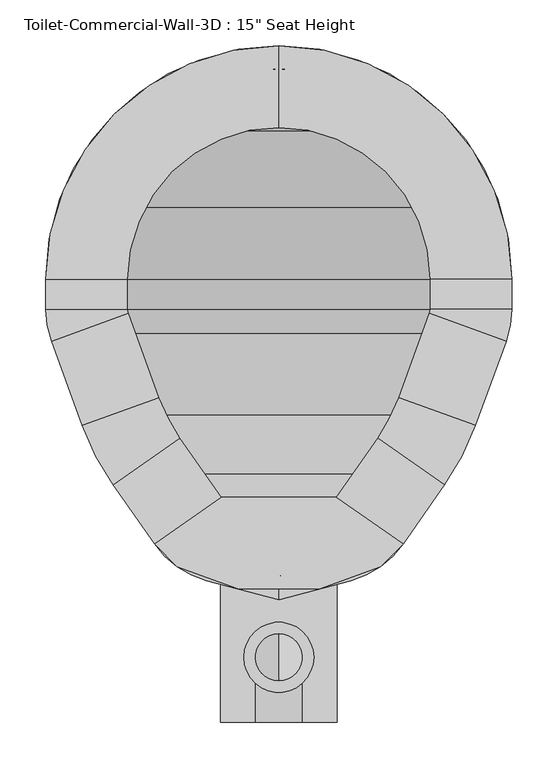
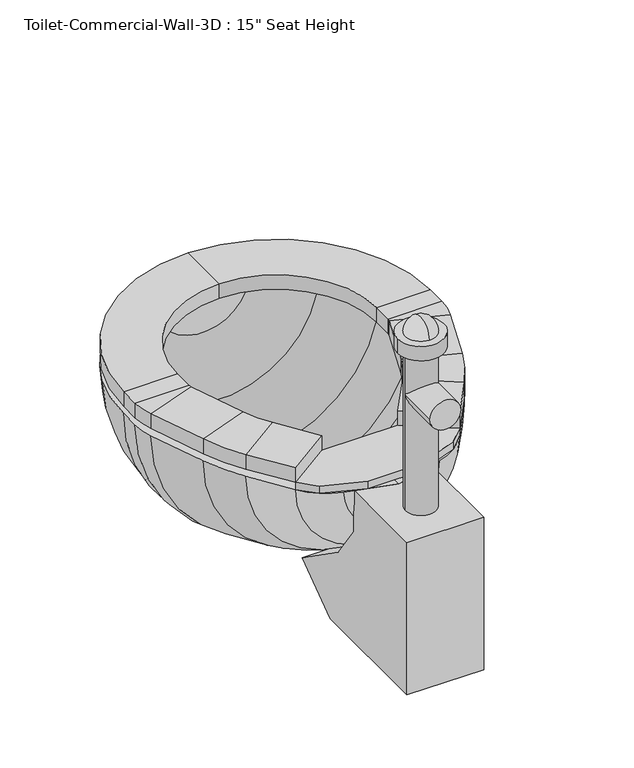
"""IFC4 building model written with IfcOpenShell, lengths in millimetres: flow terminal geometry."""

from ifc_helpers import new_model, si_unit, point, frame, frame_2d, origin, place, context, project, spatial, polyline, circle_curve, ellipse_curve, trimmed, segment, composite_curve, outline, extrude, source, transform, mapped, element, save
from ifc_brep_helpers import plane_surface, cylinder_surface, revolved_surface, advanced_brep


def flow_terminal_184afdea(model_context):
    return source(origin(), model_context, "Body", "SolidModel", [
        extrude(outline(polyline([(467.7541169, 308.5347495), (540.5767337, 257.5438043), (515.6262519, 232.5933226), (449.563909, 208.5485961), (360.2423986, 208.5485961), (294.1800557, 232.5933226), (269.229574, 257.5438043), (342.0521907, 308.5347495), (467.7541169, 308.5347495)])), frame((0.0, 0.0, 342.9), z_axis=(0.0, 0.0, 1.0), x_axis=(1.0, 0.0, 0.0)), (0.0, 0.0, 1.0), 12.7),
        advanced_brep(
        [(467.7541169, 308.5347495, 355.6), (540.5767337, 257.5438043, 355.6), (540.5767337, 257.5438043, 381.0), (467.7541169, 308.5347495, 381.0), (512.8583992, 372.9503403, 355.6), (585.6810159, 321.9593951, 355.6), (585.6810159, 321.9593951, 381.0), (512.8583992, 372.9503403, 381.0), (619.360053, 386.6562234, 355.6), (535.821379, 417.0618141, 355.6), (619.360053, 386.6562234, 381.0), (535.821379, 417.0618141, 381.0), (569.2372501, 508.8711654, 355.6), (652.7759241, 478.4655747, 355.6), (652.7759241, 478.4655747, 381.0), (569.2372501, 508.8711654, 381.0), (658.9031538, 513.2148212, 355.6), (570.0031538, 513.2148212, 355.6), (658.9031538, 513.2148212, 381.0), (570.0031538, 513.2148212, 381.0), (570.0031538, 546.1, 355.6), (658.9031538, 546.1, 355.6), (658.9031538, 546.1, 381.0), (570.0031538, 546.1, 381.0), (404.9031538, 800.1, 355.6), (404.9031538, 711.2, 355.6), (404.9031538, 800.1, 381.0), (404.9031538, 711.2, 381.0), (150.9031538, 546.1, 355.6), (239.8031538, 546.1, 355.6), (150.9031538, 546.1, 381.0), (239.8031538, 546.1, 381.0), (239.8031538, 513.2148212, 355.6), (150.9031538, 513.2148212, 355.6), (150.9031538, 513.2148212, 381.0), (239.8031538, 513.2148212, 381.0), (157.0303835, 478.4655747, 355.6), (240.5690575, 508.8711654, 355.6), (157.0303835, 478.4655747, 381.0), (240.5690575, 508.8711654, 381.0), (273.9849286, 417.0618141, 355.6), (190.4462546, 386.6562234, 355.6), (190.4462546, 386.6562234, 381.0), (273.9849286, 417.0618141, 381.0), (224.1252917, 321.9593951, 355.6), (296.9479084, 372.9503403, 355.6), (224.1252917, 321.9593951, 381.0), (296.9479084, 372.9503403, 381.0), (342.0521907, 308.5347495, 355.6), (342.0521907, 308.5347495, 381.0), (269.229574, 257.5438043, 381.0), (269.229574, 257.5438043, 355.6)],
        [
            (0, 1),
            (1, 2),
            (2, 3),
            (3, 0),
            (0, 4),
            (4, 5),
            (5, 1),
            (5, 6),
            (6, 2),
            (6, 7),
            (7, 3),
            (7, 4),
            (8, 5, circle_curve(frame((356.8099347, 482.2166514, 355.6), z_axis=(0.0, 0.0, -1.0), x_axis=(0.81915204428899, -0.5735764363510486, 0.0)), 279.4)),
            (4, 9, circle_curve(frame((356.8099347, 482.2166514, 355.6), z_axis=(0.0, 0.0, 1.0), x_axis=(0.81915204428899, -0.5735764363510486, 0.0)), 190.5)),
            (9, 8),
            (10, 6, circle_curve(frame((356.8099347, 482.2166514, 381.0), z_axis=(0.0, 0.0, -1.0), x_axis=(0.81915204428899, -0.5735764363510486, 0.0)), 279.4)),
            (8, 10),
            (11, 7, circle_curve(frame((356.8099347, 482.2166514, 381.0), z_axis=(0.0, 0.0, -1.0), x_axis=(0.81915204428899, -0.5735764363510486, 0.0)), 190.5)),
            (10, 11),
            (11, 9),
            (9, 12),
            (12, 13),
            (13, 8),
            (13, 14),
            (14, 10),
            (14, 15),
            (15, 11),
            (15, 12),
            (16, 13, circle_curve(frame((557.3031538, 513.2148212, 355.6), z_axis=(0.0, 0.0, -1.0), x_axis=(0.9396926207859057, -0.3420201433256761, 0.0)), 101.6)),
            (12, 17, circle_curve(frame((557.3031538, 513.2148212, 355.6), z_axis=(0.0, 0.0, 1.0), x_axis=(0.9396926207859057, -0.3420201433256761, 0.0)), 12.7)),
            (17, 16),
            (18, 14, circle_curve(frame((557.3031538, 513.2148212, 381.0), z_axis=(0.0, 0.0, -1.0), x_axis=(0.9396926207859057, -0.3420201433256761, 0.0)), 101.6)),
            (16, 18),
            (19, 15, circle_curve(frame((557.3031538, 513.2148212, 381.0), z_axis=(0.0, 0.0, -1.0), x_axis=(0.9396926207859057, -0.3420201433256761, 0.0)), 12.7)),
            (18, 19),
            (19, 17),
            (17, 20),
            (20, 21),
            (21, 16),
            (21, 22),
            (22, 18),
            (22, 23),
            (23, 19),
            (23, 20),
            (24, 21, circle_curve(frame((404.9031538, 546.1, 355.6), z_axis=(0.0, 0.0, -1.0), x_axis=(1.0, 0.0, 0.0)), 254.0)),
            (20, 25, circle_curve(frame((404.9031538, 546.1, 355.6), z_axis=(0.0, 0.0, 1.0), x_axis=(1.0, 0.0, 0.0)), 165.1)),
            (25, 24),
            (26, 22, circle_curve(frame((404.9031538, 546.1, 381.0), z_axis=(0.0, 0.0, -1.0), x_axis=(1.0, 0.0, 0.0)), 254.0)),
            (24, 26),
            (27, 23, circle_curve(frame((404.9031538, 546.1, 381.0), z_axis=(0.0, 0.0, -1.0), x_axis=(1.0, 0.0, 0.0)), 165.1)),
            (26, 27),
            (27, 25),
            (28, 24, circle_curve(frame((404.9031538, 546.1, 355.6), z_axis=(0.0, 0.0, -1.0), x_axis=(0.0, 1.0, 0.0)), 254.0)),
            (25, 29, circle_curve(frame((404.9031538, 546.1, 355.6), z_axis=(0.0, 0.0, 1.0), x_axis=(0.0, 1.0, 0.0)), 165.1)),
            (29, 28),
            (30, 26, circle_curve(frame((404.9031538, 546.1, 381.0), z_axis=(0.0, 0.0, -1.0), x_axis=(0.0, 1.0, 0.0)), 254.0)),
            (28, 30),
            (31, 27, circle_curve(frame((404.9031538, 546.1, 381.0), z_axis=(0.0, 0.0, -1.0), x_axis=(0.0, 1.0, 0.0)), 165.1)),
            (30, 31),
            (31, 29),
            (29, 32),
            (32, 33),
            (33, 28),
            (33, 34),
            (34, 30),
            (34, 35),
            (35, 31),
            (35, 32),
            (36, 33, circle_curve(frame((252.5031538, 513.2148212, 355.6), z_axis=(0.0, 0.0, -1.0), x_axis=(-1.0, 0.0, 0.0)), 101.6)),
            (32, 37, circle_curve(frame((252.5031538, 513.2148212, 355.6), z_axis=(0.0, 0.0, 1.0), x_axis=(-1.0, 0.0, 0.0)), 12.7)),
            (37, 36),
            (38, 34, circle_curve(frame((252.5031538, 513.2148212, 381.0), z_axis=(0.0, 0.0, -1.0), x_axis=(-1.0, 0.0, 0.0)), 101.6)),
            (36, 38),
            (39, 35, circle_curve(frame((252.5031538, 513.2148212, 381.0), z_axis=(0.0, 0.0, -1.0), x_axis=(-1.0, 0.0, 0.0)), 12.7)),
            (38, 39),
            (39, 37),
            (37, 40),
            (40, 41),
            (41, 36),
            (41, 42),
            (42, 38),
            (42, 43),
            (43, 39),
            (43, 40),
            (44, 41, circle_curve(frame((452.9963729, 482.2166514, 355.6), z_axis=(0.0, 0.0, -1.0), x_axis=(-0.939692620785909, -0.3420201433256672, 0.0)), 279.4)),
            (40, 45, circle_curve(frame((452.9963729, 482.2166514, 355.6), z_axis=(0.0, 0.0, 1.0), x_axis=(-0.939692620785909, -0.3420201433256672, 0.0)), 190.5)),
            (45, 44),
            (46, 42, circle_curve(frame((452.9963729, 482.2166514, 381.0), z_axis=(0.0, 0.0, -1.0), x_axis=(-0.939692620785909, -0.3420201433256672, 0.0)), 279.4)),
            (44, 46),
            (47, 43, circle_curve(frame((452.9963729, 482.2166514, 381.0), z_axis=(0.0, 0.0, -1.0), x_axis=(-0.939692620785909, -0.3420201433256672, 0.0)), 190.5)),
            (46, 47),
            (47, 45),
            (48, 49),
            (49, 50),
            (50, 51),
            (51, 48),
            (45, 48),
            (51, 44),
            (50, 46),
            (49, 47),
        ],
        [
            plane_surface(frame((540.5767337, 257.5438043, 439.6203184), z_axis=(-0.5735764363510379, -0.8191520442889975, 0.0), x_axis=(0.8191520442889975, -0.5735764363510379, 0.0))),
            plane_surface(frame((467.7541169, 308.5347495, 355.6), z_axis=(0.0, 0.0, -1.0), x_axis=(0.5735764363510377, 0.8191520442889977, 0.0))),
            plane_surface(frame((540.5767337, 257.5438043, 355.6), z_axis=(0.8191520442889975, -0.5735764363510382, 0.0), x_axis=(0.5735764363510382, 0.8191520442889975, 0.0))),
            plane_surface(frame((540.5767337, 257.5438043, 381.0), z_axis=(0.0, 0.0, 1.0000000000000002), x_axis=(0.5735764363510379, 0.8191520442889976, 0.0))),
            plane_surface(frame((467.7541169, 308.5347495, 381.0), z_axis=(-0.819152044288998, 0.5735764363510373, 0.0), x_axis=(0.5735764363510373, 0.819152044288998, 0.0))),
            plane_surface(frame((356.8099347, 482.2166514, 355.6), z_axis=(0.0, 0.0, -1.0), x_axis=(0.81915204428899, -0.5735764363510486, 0.0))),
            cylinder_surface(frame((356.8099347, 482.2166514, 342.9), z_axis=(0.0, 0.0, 1.0), x_axis=(0.81915204428899, -0.5735764363510486, 0.0)), 279.4),
            plane_surface(frame((356.8099347, 482.2166514, 381.0), z_axis=(0.0, 0.0, 1.0), x_axis=(0.81915204428899, -0.5735764363510486, 0.0))),
            revolved_surface(polyline([(512.8583991370526, 372.9503402751252, 381.0), (512.8583991370526, 372.9503402751252, 355.6)]), (356.8099347, 482.2166514, 342.9), (0.0, 0.0, 1.0)),
            plane_surface(frame((535.821379, 417.0618141, 355.6), z_axis=(0.0, 0.0, -1.0), x_axis=(0.34202014332566444, 0.93969262078591, 0.0))),
            plane_surface(frame((619.360053, 386.6562234, 355.6), z_axis=(0.93969262078591, -0.3420201433256645, 0.0), x_axis=(0.3420201433256645, 0.93969262078591, 0.0))),
            plane_surface(frame((619.360053, 386.6562234, 381.0), z_axis=(0.0, 0.0, 1.0000000000000002), x_axis=(0.3420201433256645, 0.93969262078591, 0.0))),
            plane_surface(frame((535.821379, 417.0618141, 381.0), z_axis=(-0.9396926207859102, 0.3420201433256638, 0.0), x_axis=(0.3420201433256638, 0.9396926207859102, 0.0))),
            plane_surface(frame((557.3031538, 513.2148212, 355.6), z_axis=(0.0, 0.0, -1.0000000000000002), x_axis=(0.9396926207859058, -0.34202014332567615, 0.0))),
            cylinder_surface(frame((557.3031538, 513.2148212, 342.9), z_axis=(0.0, 0.0, 1.0), x_axis=(0.9396926207859057, -0.3420201433256761, 0.0)), 101.6),
            plane_surface(frame((557.3031538, 513.2148212, 381.0), z_axis=(0.0, 0.0, 1.0000000000000002), x_axis=(0.9396926207859058, -0.34202014332567615, 0.0))),
            revolved_surface(polyline([(569.237250083981, 508.87116537976385, 381.0), (569.237250083981, 508.87116537976385, 355.6)]), (557.3031538, 513.2148212, 342.9), (0.0, 0.0, 1.0)),
            plane_surface(frame((570.0031538, 513.2148212, 355.6), z_axis=(0.0, 0.0, -1.0), x_axis=(0.0, 1.0, 0.0))),
            plane_surface(frame((658.9031538, 513.2148212, 355.6), z_axis=(1.0, 0.0, 0.0), x_axis=(0.0, 1.0, 0.0))),
            plane_surface(frame((658.9031538, 513.2148212, 381.0), z_axis=(0.0, 0.0, 1.0), x_axis=(0.0, 1.0, 0.0))),
            plane_surface(frame((570.0031538, 513.2148212, 381.0), z_axis=(-1.0, 0.0, 0.0), x_axis=(0.0, 1.0, 0.0))),
            plane_surface(frame((404.9031538, 546.1, 355.6), z_axis=(0.0, 0.0, -1.0), x_axis=(1.0, 0.0, 0.0))),
            cylinder_surface(frame((404.9031538, 546.1, 342.9), z_axis=(0.0, 0.0, 1.0), x_axis=(1.0, 0.0, 0.0)), 254.0),
            plane_surface(frame((404.9031538, 546.1, 381.0), z_axis=(0.0, 0.0, 1.0), x_axis=(1.0, 0.0, 0.0))),
            revolved_surface(polyline([(570.0031538, 546.1, 381.0), (570.0031538, 546.1, 355.6)]), (404.9031538, 546.1, 342.9), (0.0, 0.0, 1.0)),
            plane_surface(frame((404.9031538, 546.1, 355.6), z_axis=(0.0, 0.0, -1.0), x_axis=(0.0, 1.0, 0.0))),
            cylinder_surface(frame((404.9031538, 546.1, 342.9), z_axis=(0.0, 0.0, 1.0), x_axis=(0.0, 1.0, 0.0)), 254.0),
            plane_surface(frame((404.9031538, 546.1, 381.0), z_axis=(0.0, 0.0, 1.0), x_axis=(0.0, 1.0, 0.0))),
            revolved_surface(polyline([(404.9031538, 711.2, 381.0), (404.9031538, 711.2, 355.6)]), (404.9031538, 546.1, 342.9), (0.0, 0.0, 1.0)),
            plane_surface(frame((239.8031538, 546.1, 355.6), z_axis=(0.0, 0.0, -1.0), x_axis=(0.0, -1.0, 0.0))),
            plane_surface(frame((150.9031538, 546.1, 355.6), z_axis=(-1.0, 0.0, 0.0), x_axis=(0.0, -1.0, 0.0))),
            plane_surface(frame((150.9031538, 546.1, 381.0), z_axis=(0.0, 0.0, 1.0), x_axis=(0.0, -1.0, 0.0))),
            plane_surface(frame((239.8031538, 546.1, 381.0), z_axis=(1.0, 0.0, 0.0), x_axis=(0.0, -1.0, 0.0))),
            plane_surface(frame((252.5031538, 513.2148212, 355.6), z_axis=(0.0, 0.0, -1.0), x_axis=(-1.0, 0.0, 0.0))),
            cylinder_surface(frame((252.5031538, 513.2148212, 342.9), z_axis=(0.0, 0.0, 1.0), x_axis=(-1.0, 0.0, 0.0)), 101.6),
            plane_surface(frame((252.5031538, 513.2148212, 381.0), z_axis=(0.0, 0.0, 1.0), x_axis=(-1.0, 0.0, 0.0))),
            revolved_surface(polyline([(239.80315380000002, 513.2148212, 381.0), (239.80315380000002, 513.2148212, 355.6)]), (252.5031538, 513.2148212, 342.9), (0.0, 0.0, 1.0)),
            plane_surface(frame((240.5690575, 508.8711654, 355.6), z_axis=(0.0, 0.0, -1.0000000000000002), x_axis=(0.3420201433256558, -0.9396926207859132, 0.0))),
            plane_surface(frame((157.0303835, 478.4655747, 355.6), z_axis=(-0.9396926207859133, -0.34202014332565545, 0.0), x_axis=(0.34202014332565545, -0.9396926207859133, 0.0))),
            plane_surface(frame((157.0303835, 478.4655747, 381.0), z_axis=(0.0, 0.0, 1.0000000000000002), x_axis=(0.34202014332565545, -0.9396926207859133, 0.0))),
            plane_surface(frame((240.5690575, 508.8711654, 381.0), z_axis=(0.9396926207859132, 0.3420201433256558, 0.0), x_axis=(0.3420201433256558, -0.9396926207859132, 0.0))),
            plane_surface(frame((452.9963729, 482.2166514, 355.6), z_axis=(0.0, 0.0, -1.0), x_axis=(-0.939692620785909, -0.3420201433256672, 0.0))),
            cylinder_surface(frame((452.9963729, 482.2166514, 342.9), z_axis=(0.0, 0.0, 1.0), x_axis=(-0.939692620785909, -0.3420201433256672, 0.0)), 279.4),
            plane_surface(frame((452.9963729, 482.2166514, 381.0), z_axis=(0.0, 0.0, 1.0), x_axis=(-0.939692620785909, -0.3420201433256672, 0.0))),
            revolved_surface(polyline([(273.98492864028435, 417.06181409646035, 381.0), (273.98492864028435, 417.06181409646035, 355.6)]), (452.9963729, 482.2166514, 342.9), (0.0, 0.0, 1.0)),
            plane_surface(frame((269.229574, 257.5438043, 246.1796816), z_axis=(0.5735764363510502, -0.8191520442889889, 0.0), x_axis=(0.8191520442889889, 0.5735764363510502, 0.0))),
            plane_surface(frame((296.9479084, 372.9503403, 355.6), z_axis=(0.0, 0.0, -1.0), x_axis=(0.5735764363510504, -0.8191520442889889, 0.0))),
            plane_surface(frame((224.1252917, 321.9593951, 355.6), z_axis=(-0.819152044288989, -0.57357643635105, 0.0), x_axis=(0.57357643635105, -0.819152044288989, 0.0))),
            plane_surface(frame((224.1252917, 321.9593951, 381.0), z_axis=(0.0, 0.0, 1.0), x_axis=(0.5735764363510503, -0.8191520442889889, 0.0))),
            plane_surface(frame((296.9479084, 372.9503403, 381.0), z_axis=(0.8191520442889889, 0.5735764363510504, 0.0), x_axis=(0.5735764363510504, -0.8191520442889889, 0.0))),
        ],
        [
            (0, [[1, 2, 3, 4]]),
            (1, [[-1, 5, 6, 7]]),
            (2, [[-2, -7, 8, 9]]),
            (3, [[-3, -9, 10, 11]]),
            (4, [[-4, -11, 12, -5]]),
            (5, [[13, -6, 14, 15]]),
            (6, [[16, -8, -13, 17]]),
            (7, [[18, -10, -16, 19]]),
            (8, [[-14, -12, -18, 20]]),
            (9, [[-15, 21, 22, 23]]),
            (10, [[-17, -23, 24, 25]]),
            (11, [[-19, -25, 26, 27]]),
            (12, [[-20, -27, 28, -21]]),
            (13, [[29, -22, 30, 31]]),
            (14, [[32, -24, -29, 33]]),
            (15, [[34, -26, -32, 35]]),
            (16, [[-30, -28, -34, 36]]),
            (17, [[-31, 37, 38, 39]]),
            (18, [[-33, -39, 40, 41]]),
            (19, [[-35, -41, 42, 43]]),
            (20, [[-36, -43, 44, -37]]),
            (21, [[45, -38, 46, 47]]),
            (22, [[48, -40, -45, 49]]),
            (23, [[50, -42, -48, 51]]),
            (24, [[-46, -44, -50, 52]]),
            (25, [[53, -47, 54, 55]]),
            (26, [[56, -49, -53, 57]]),
            (27, [[58, -51, -56, 59]]),
            (28, [[-54, -52, -58, 60]]),
            (29, [[-55, 61, 62, 63]]),
            (30, [[-57, -63, 64, 65]]),
            (31, [[-59, -65, 66, 67]]),
            (32, [[-60, -67, 68, -61]]),
            (33, [[69, -62, 70, 71]]),
            (34, [[72, -64, -69, 73]]),
            (35, [[74, -66, -72, 75]]),
            (36, [[-70, -68, -74, 76]]),
            (37, [[-71, 77, 78, 79]]),
            (38, [[-73, -79, 80, 81]]),
            (39, [[-75, -81, 82, 83]]),
            (40, [[-76, -83, 84, -77]]),
            (41, [[85, -78, 86, 87]]),
            (42, [[88, -80, -85, 89]]),
            (43, [[90, -82, -88, 91]]),
            (44, [[-86, -84, -90, 92]]),
            (45, [[93, 94, 95, 96]]),
            (46, [[-87, 97, -96, 98]]),
            (47, [[-89, -98, -95, 99]]),
            (48, [[-91, -99, -94, 100]]),
            (49, [[-92, -100, -93, -97]]),
        ],
    ),
        advanced_brep(
        [(491.7762702, 784.7819257, 342.9), (404.9031538, 800.1, 342.9), (404.9031538, 774.7, 342.9), (483.0889586, 760.9137331, 342.9), (566.547764, 707.7446102, 342.9), (619.7168869, 624.2858048, 342.9), (633.5031538, 546.1, 342.9), (633.5031538, 513.2148212, 342.9), (628.9077315, 487.1528863, 342.9), (596.6355667, 398.4858422, 342.9), (562.9565296, 333.7890139, 342.9), (525.0728964, 279.6855786, 342.9), (468.1430637, 239.8228806, 342.9), (404.9031538, 222.8777978, 342.9), (404.9031538, 196.5817829, 342.9), (483.6469009, 217.6811063, 342.9), (540.5767337, 257.5438043, 342.9), (585.6810159, 321.9593951, 342.9), (619.360053, 386.6562234, 342.9), (652.7759241, 478.4655747, 342.9), (658.9031538, 513.2148212, 342.9), (658.9031538, 546.1, 342.9), (643.5850795, 632.9731164, 342.9), (584.5082762, 725.7051224, 342.9), (318.0300374, 784.7819257, 342.9), (225.2980314, 725.7051224, 342.9), (166.2212281, 632.9731164, 342.9), (150.9031538, 546.1, 342.9), (150.9031538, 513.2148212, 342.9), (157.0303835, 478.4655747, 342.9), (190.4462546, 386.6562234, 342.9), (224.1252917, 321.9593951, 342.9), (269.229574, 257.5438043, 342.9), (326.1594067, 217.6811063, 342.9), (341.663244, 239.8228806, 342.9), (284.7334112, 279.6855786, 342.9), (246.849778, 333.7890139, 342.9), (213.1707409, 398.4858422, 342.9), (180.8985761, 487.1528863, 342.9), (176.3031538, 513.2148212, 342.9), (176.3031538, 546.1, 342.9), (190.0894207, 624.2858048, 342.9), (243.2585436, 707.7446102, 342.9), (326.7173491, 760.9137331, 342.9)],
        [
            (0, 1, circle_curve(frame((404.9031538, 546.1, 342.9), z_axis=(0.0, 0.0, 1.0), x_axis=(1.0, 0.0, 0.0)), 254.0)),
            (1, 2),
            (2, 3, circle_curve(frame((404.9031538, 546.1, 342.9), z_axis=(0.0, 0.0, -1.0), x_axis=(1.0, 0.0, 0.0)), 228.6)),
            (3, 4, circle_curve(frame((404.9031538, 546.1, 342.9), z_axis=(0.0, 0.0, -1.0), x_axis=(1.0, 0.0, 0.0)), 228.6)),
            (4, 5, circle_curve(frame((404.9031538, 546.1, 342.9), z_axis=(0.0, 0.0, -1.0), x_axis=(1.0, 0.0, 0.0)), 228.6)),
            (5, 6, circle_curve(frame((404.9031538, 546.1, 342.9), z_axis=(0.0, 0.0, -1.0), x_axis=(1.0, 0.0, 0.0)), 228.6)),
            (6, 7),
            (7, 8, circle_curve(frame((557.3031538, 513.2148212, 342.9), z_axis=(0.0, 0.0, -1.0), x_axis=(1.0, 0.0, 0.0)), 76.2)),
            (8, 9),
            (9, 10, circle_curve(frame((334.0854485, 494.0462703, 342.9), z_axis=(0.0, 0.0, -1.0), x_axis=(1.0, 0.0, 0.0)), 279.4)),
            (10, 11),
            (11, 12, circle_curve(frame((441.8470487, 337.9609446, 342.9), z_axis=(0.0, 0.0, -1.0), x_axis=(1.0, 0.0, 0.0)), 101.6)),
            (12, 13),
            (13, 14),
            (14, 15),
            (15, 16, circle_curve(frame((457.350886, 315.8191703, 342.9), z_axis=(0.0, 0.0, 1.0), x_axis=(1.0, 0.0, 0.0)), 101.6)),
            (16, 17),
            (17, 18, circle_curve(frame((356.8099347, 482.2166514, 342.9), z_axis=(0.0, 0.0, 1.0), x_axis=(1.0, 0.0, 0.0)), 279.4)),
            (18, 19),
            (19, 20, circle_curve(frame((557.3031538, 513.2148212, 342.9), z_axis=(0.0, 0.0, 1.0), x_axis=(1.0, 0.0, 0.0)), 101.6)),
            (20, 21),
            (21, 22, circle_curve(frame((404.9031538, 546.1, 342.9), z_axis=(0.0, 0.0, 1.0), x_axis=(1.0, 0.0, 0.0)), 254.0)),
            (22, 23, circle_curve(frame((404.9031538, 546.1, 342.9), z_axis=(0.0, 0.0, 1.0), x_axis=(1.0, 0.0, 0.0)), 254.0)),
            (23, 0, circle_curve(frame((404.9031538, 546.1, 342.9), z_axis=(0.0, 0.0, 1.0), x_axis=(1.0, 0.0, 0.0)), 254.0)),
            (24, 25, circle_curve(frame((404.9031538, 546.1, 342.9), z_axis=(0.0, 0.0, 1.0), x_axis=(-1.0, 0.0, 0.0)), 254.0)),
            (25, 26, circle_curve(frame((404.9031538, 546.1, 342.9), z_axis=(0.0, 0.0, 1.0), x_axis=(-1.0, 0.0, 0.0)), 254.0)),
            (26, 27, circle_curve(frame((404.9031538, 546.1, 342.9), z_axis=(0.0, 0.0, 1.0), x_axis=(-1.0, 0.0, 0.0)), 254.0)),
            (27, 28),
            (28, 29, circle_curve(frame((252.5031538, 513.2148212, 342.9), z_axis=(0.0, 0.0, 1.0), x_axis=(-1.0, 0.0, 0.0)), 101.6)),
            (29, 30),
            (30, 31, circle_curve(frame((452.9963729, 482.2166514, 342.9), z_axis=(0.0, 0.0, 1.0), x_axis=(-1.0, 0.0, 0.0)), 279.4)),
            (31, 32),
            (32, 33, circle_curve(frame((352.4554217, 315.8191703, 342.9), z_axis=(0.0, 0.0, 1.0), x_axis=(-1.0, 0.0, 0.0)), 101.6)),
            (33, 14),
            (13, 34),
            (34, 35, circle_curve(frame((367.9592589, 337.9609446, 342.9), z_axis=(0.0, 0.0, -1.0), x_axis=(-1.0, 0.0, 0.0)), 101.6)),
            (35, 36),
            (36, 37, circle_curve(frame((475.7208592, 494.0462703, 342.9), z_axis=(0.0, 0.0, -1.0), x_axis=(-1.0, 0.0, 0.0)), 279.4)),
            (37, 38),
            (38, 39, circle_curve(frame((252.5031538, 513.2148212, 342.9), z_axis=(0.0, 0.0, -1.0), x_axis=(-1.0, 0.0, 0.0)), 76.2)),
            (39, 40),
            (40, 41, circle_curve(frame((404.9031538, 546.1, 342.9), z_axis=(0.0, 0.0, -1.0), x_axis=(-1.0, 0.0, 0.0)), 228.6)),
            (41, 42, circle_curve(frame((404.9031538, 546.1, 342.9), z_axis=(0.0, 0.0, -1.0), x_axis=(-1.0, 0.0, 0.0)), 228.6)),
            (42, 43, circle_curve(frame((404.9031538, 546.1, 342.9), z_axis=(0.0, 0.0, -1.0), x_axis=(-1.0, 0.0, 0.0)), 228.6)),
            (43, 2, circle_curve(frame((404.9031538, 546.1, 342.9), z_axis=(0.0, 0.0, -1.0), x_axis=(-1.0, 0.0, 0.0)), 228.6)),
            (1, 24, circle_curve(frame((404.9031538, 546.1, 342.9), z_axis=(0.0, 0.0, 1.0), x_axis=(-1.0, 0.0, 0.0)), 254.0)),
            (0, 24, circle_curve(frame((404.9031538, 784.7819257, 342.9), z_axis=(0.0, 1.0, 0.0), x_axis=(1.0, 0.0, 0.0)), 86.8731164)),
            (43, 3, circle_curve(frame((404.9031538, 760.9137331, 342.9), z_axis=(0.0, -1.0, 0.0), x_axis=(1.0, 0.0, 0.0)), 78.1858048)),
            (42, 4, circle_curve(frame((404.9031538, 707.7446102, 342.9), z_axis=(0.0, -1.0, 0.0), x_axis=(1.0, 0.0, 0.0)), 161.6446102)),
            (41, 5, circle_curve(frame((404.9031538, 624.2858048, 342.9), z_axis=(0.0, -1.0, 0.0), x_axis=(1.0, 0.0, 0.0)), 214.8137331)),
            (40, 6, circle_curve(frame((404.9031538, 546.1, 342.9), z_axis=(0.0, -1.0, 0.0), x_axis=(1.0, 0.0, 0.0)), 228.6)),
            (39, 7, circle_curve(frame((404.9031538, 513.2148212, 342.9), z_axis=(0.0, -1.0, 0.0), x_axis=(1.0, 0.0, 0.0)), 228.6)),
            (38, 8, circle_curve(frame((404.9031538, 487.1528863, 342.9), z_axis=(0.0, -1.0, 0.0), x_axis=(1.0, 0.0, 0.0)), 224.0045777)),
            (37, 9, circle_curve(frame((404.9031538, 398.4858422, 342.9), z_axis=(0.0, -1.0, 0.0), x_axis=(1.0, 0.0, 0.0)), 191.7324129)),
            (36, 10, circle_curve(frame((404.9031538, 333.7890139, 342.9), z_axis=(0.0, -1.0, 0.0), x_axis=(1.0, 0.0, 0.0)), 158.0533758)),
            (35, 11, circle_curve(frame((404.9031538, 279.6855786, 342.9), z_axis=(0.0, -1.0, 0.0), x_axis=(1.0, 0.0, 0.0)), 120.1697426)),
            (34, 12, circle_curve(frame((404.9031538, 239.8228806, 342.9), z_axis=(0.0, -1.0, 0.0), x_axis=(1.0, 0.0, 0.0)), 63.2399099)),
            (33, 15, circle_curve(frame((404.9031538, 217.6811063, 342.9), z_axis=(0.0, -1.0, 0.0), x_axis=(1.0, 0.0, 0.0)), 78.7437471)),
            (32, 16, circle_curve(frame((404.9031538, 257.5438043, 342.9), z_axis=(0.0, -1.0, 0.0), x_axis=(1.0, 0.0, 0.0)), 135.6735798)),
            (31, 17, circle_curve(frame((404.9031538, 321.9593951, 342.9), z_axis=(0.0, -1.0, 0.0), x_axis=(1.0, 0.0, 0.0)), 180.7778621)),
            (30, 18, circle_curve(frame((404.9031538, 386.6562234, 342.9), z_axis=(0.0, -1.0, 0.0), x_axis=(1.0, 0.0, 0.0)), 214.4568992)),
            (29, 19, circle_curve(frame((404.9031538, 478.4655747, 342.9), z_axis=(0.0, -1.0, 0.0), x_axis=(1.0, 0.0, 0.0)), 247.8727703)),
            (28, 20, circle_curve(frame((404.9031538, 513.2148212, 342.9), z_axis=(0.0, -1.0, 0.0), x_axis=(1.0, 0.0, 0.0)), 254.0)),
            (27, 21, circle_curve(frame((404.9031538, 546.1, 342.9), z_axis=(0.0, -1.0, 0.0), x_axis=(1.0, 0.0, 0.0)), 254.0)),
            (26, 22, circle_curve(frame((404.9031538, 632.9731164, 342.9), z_axis=(0.0, -1.0, 0.0), x_axis=(1.0, 0.0, 0.0)), 238.6819257)),
            (25, 23, circle_curve(frame((404.9031538, 725.7051224, 342.9), z_axis=(0.0, -1.0, 0.0), x_axis=(1.0, 0.0, 0.0)), 179.6051224)),
        ],
        [
            plane_surface(frame((404.9031538, 905.3102448, 342.9), z_axis=(0.0, 0.0, 1.0), x_axis=(1.0, 0.0, 0.0))),
            plane_surface(frame((404.9031538, 905.3102448, 342.9), z_axis=(0.0, 0.0, 1.0), x_axis=(-1.0, 0.0, 0.0))),
            revolved_surface(trimmed(ellipse_curve(frame((404.9031538, 546.1, 342.9), z_axis=(0.0, 0.0, 1.0), x_axis=(1.0, 0.0, 0.0)), 254.0, 254.0), [point((491.7762702, 784.7819257, 342.9))], [point((404.9031538, 800.1, 342.9))], True, "CARTESIAN"), (404.9031538, 905.3102448, 342.9), (0.0, 1.0, 0.0)),
            revolved_surface(trimmed(ellipse_curve(frame((404.9031538, 546.1, 342.9), z_axis=(0.0, 0.0, -1.0), x_axis=(1.0, 0.0, 0.0)), 228.6, 228.6), [point((404.9031538, 774.7, 342.9))], [point((483.0889586, 760.9137331, 342.9))], True, "CARTESIAN"), (404.9031538, 905.3102448, 342.9), (0.0, 1.0, 0.0)),
            revolved_surface(trimmed(ellipse_curve(frame((404.9031538, 546.1, 342.9), z_axis=(0.0, 0.0, -1.0), x_axis=(1.0, 0.0, 0.0)), 228.6, 228.6), [point((483.0889586, 760.9137331, 342.9))], [point((566.547764, 707.7446102, 342.9))], True, "CARTESIAN"), (404.9031538, 905.3102448, 342.9), (0.0, 1.0, 0.0)),
            revolved_surface(trimmed(ellipse_curve(frame((404.9031538, 546.1, 342.9), z_axis=(0.0, 0.0, -1.0), x_axis=(1.0, 0.0, 0.0)), 228.6, 228.6), [point((566.547764, 707.7446102, 342.9))], [point((619.7168869, 624.2858048, 342.9))], True, "CARTESIAN"), (404.9031538, 905.3102448, 342.9), (0.0, 1.0, 0.0)),
            revolved_surface(trimmed(ellipse_curve(frame((404.9031538, 546.1, 342.9), z_axis=(0.0, 0.0, -1.0), x_axis=(1.0, 0.0, 0.0)), 228.6, 228.6), [point((619.7168869, 624.2858048, 342.9))], [point((633.5031538, 546.1, 342.9))], True, "CARTESIAN"), (404.9031538, 905.3102448, 342.9), (0.0, 1.0, 0.0)),
            revolved_surface(polyline([(633.5031538, 546.1, 342.9), (633.5031538, 513.2148212, 342.9)]), (404.9031538, 905.3102448, 342.9), (0.0, 1.0, 0.0)),
            revolved_surface(trimmed(ellipse_curve(frame((557.3031538, 513.2148212, 342.9), z_axis=(0.0, 0.0, -1.0), x_axis=(1.0, 0.0, 0.0)), 76.2, 76.2), [point((633.5031538, 513.2148212, 342.9))], [point((628.9077315, 487.1528863, 342.9))], True, "CARTESIAN"), (404.9031538, 905.3102448, 342.9), (0.0, 1.0, 0.0)),
            revolved_surface(polyline([(628.9077315, 487.1528863, 342.9), (596.6355667, 398.4858422, 342.9)]), (404.9031538, 905.3102448, 342.9), (0.0, 1.0, 0.0)),
            revolved_surface(trimmed(ellipse_curve(frame((334.0854485, 494.0462703, 342.9), z_axis=(0.0, 0.0, -1.0), x_axis=(1.0, 0.0, 0.0)), 279.4, 279.4), [point((596.6355667, 398.4858422, 342.9))], [point((562.9565296, 333.7890139, 342.9))], True, "CARTESIAN"), (404.9031538, 905.3102448, 342.9), (0.0, 1.0, 0.0)),
            revolved_surface(polyline([(562.9565296, 333.7890139, 342.9), (525.0728964, 279.6855786, 342.9)]), (404.9031538, 905.3102448, 342.9), (0.0, 1.0, 0.0)),
            revolved_surface(trimmed(ellipse_curve(frame((441.8470487, 337.9609446, 342.9), z_axis=(0.0, 0.0, -1.0), x_axis=(1.0, 0.0, 0.0)), 101.6, 101.6), [point((525.0728964, 279.6855786, 342.9))], [point((468.1430637, 239.8228806, 342.9))], True, "CARTESIAN"), (404.9031538, 905.3102448, 342.9), (0.0, 1.0, 0.0)),
            revolved_surface(polyline([(468.1430637, 239.8228806, 342.9), (404.9031538, 222.8777978, 342.9)]), (404.9031538, 905.3102448, 342.9), (0.0, 1.0, 0.0)),
            revolved_surface(polyline([(404.9031538, 196.5817829, 342.9), (483.6469009, 217.6811063, 342.9)]), (404.9031538, 905.3102448, 342.9), (0.0, 1.0, 0.0)),
            revolved_surface(trimmed(ellipse_curve(frame((457.350886, 315.8191703, 342.9), z_axis=(0.0, 0.0, 1.0), x_axis=(1.0, 0.0, 0.0)), 101.6, 101.6), [point((483.6469009, 217.6811063, 342.9))], [point((540.5767337, 257.5438043, 342.9))], True, "CARTESIAN"), (404.9031538, 905.3102448, 342.9), (0.0, 1.0, 0.0)),
            revolved_surface(polyline([(540.5767337, 257.5438043, 342.9), (585.6810159, 321.9593951, 342.9)]), (404.9031538, 905.3102448, 342.9), (0.0, 1.0, 0.0)),
            revolved_surface(trimmed(ellipse_curve(frame((356.8099347, 482.2166514, 342.9), z_axis=(0.0, 0.0, 1.0), x_axis=(1.0, 0.0, 0.0)), 279.4, 279.4), [point((585.6810159, 321.9593951, 342.9))], [point((619.360053, 386.6562234, 342.9))], True, "CARTESIAN"), (404.9031538, 905.3102448, 342.9), (0.0, 1.0, 0.0)),
            revolved_surface(polyline([(619.360053, 386.6562234, 342.9), (652.7759241, 478.4655747, 342.9)]), (404.9031538, 905.3102448, 342.9), (0.0, 1.0, 0.0)),
            revolved_surface(trimmed(ellipse_curve(frame((557.3031538, 513.2148212, 342.9), z_axis=(0.0, 0.0, 1.0), x_axis=(1.0, 0.0, 0.0)), 101.6, 101.6), [point((652.7759241, 478.4655747, 342.9))], [point((658.9031538, 513.2148212, 342.9))], True, "CARTESIAN"), (404.9031538, 905.3102448, 342.9), (0.0, 1.0, 0.0)),
            cylinder_surface(frame((404.9031538, 905.3102448, 342.9), z_axis=(0.0, 1.0, 0.0), x_axis=(1.0, 0.0, 0.0)), 254.0),
            revolved_surface(trimmed(ellipse_curve(frame((404.9031538, 546.1, 342.9), z_axis=(0.0, 0.0, 1.0), x_axis=(1.0, 0.0, 0.0)), 254.0, 254.0), [point((658.9031538, 546.1, 342.9))], [point((643.5850795, 632.9731164, 342.9))], True, "CARTESIAN"), (404.9031538, 905.3102448, 342.9), (0.0, 1.0, 0.0)),
            revolved_surface(trimmed(ellipse_curve(frame((404.9031538, 546.1, 342.9), z_axis=(0.0, 0.0, 1.0), x_axis=(1.0, 0.0, 0.0)), 254.0, 254.0), [point((643.5850795, 632.9731164, 342.9))], [point((584.5082762, 725.7051224, 342.9))], True, "CARTESIAN"), (404.9031538, 905.3102448, 342.9), (0.0, 1.0, 0.0)),
            revolved_surface(trimmed(ellipse_curve(frame((404.9031538, 546.1, 342.9), z_axis=(0.0, 0.0, 1.0), x_axis=(1.0, 0.0, 0.0)), 254.0, 254.0), [point((584.5082762, 725.7051224, 342.9))], [point((491.7762702, 784.7819257, 342.9))], True, "CARTESIAN"), (404.9031538, 905.3102448, 342.9), (0.0, 1.0, 0.0)),
        ],
        [
            (0, [[1, 2, 3, 4, 5, 6, 7, 8, 9, 10, 11, 12, 13, 14, 15, 16, 17, 18, 19, 20, 21, 22, 23, 24]]),
            (1, [[25, 26, 27, 28, 29, 30, 31, 32, 33, 34, -14, 35, 36, 37, 38, 39, 40, 41, 42, 43, 44, 45, -2, 46]]),
            (2, [[-1, 47, -46]]),
            (3, [[48, -3, -45]]),
            (4, [[49, -4, -48, -44]]),
            (5, [[50, -5, -49, -43]]),
            (6, [[51, -6, -50, -42]]),
            (7, [[52, -7, -51, -41]]),
            (8, [[53, -8, -52, -40]]),
            (9, [[54, -9, -53, -39]]),
            (10, [[55, -10, -54, -38]]),
            (11, [[56, -11, -55, -37]]),
            (12, [[57, -12, -56, -36]]),
            (13, [[-13, -57, -35]]),
            (14, [[58, -15, -34]]),
            (15, [[59, -16, -58, -33]]),
            (16, [[60, -17, -59, -32]]),
            (17, [[61, -18, -60, -31]]),
            (18, [[62, -19, -61, -30]]),
            (19, [[63, -20, -62, -29]]),
            (20, [[64, -21, -63, -28]]),
            (21, [[65, -22, -64, -27]]),
            (22, [[66, -23, -65, -26]]),
            (23, [[-47, -24, -66, -25]]),
        ],
    ),
        advanced_brep(
        [(404.9031538, 108.4176912, 647.7), (404.9031538, 159.6528563, 647.7), (404.9031538, 134.0352737, 673.3175826), (404.9031538, 134.0352737, 647.7)],
        [
            (0, 1, circle_curve(frame((404.9031538, 134.0352737, 647.7), z_axis=(0.0, 0.0, 1.0), x_axis=(0.0, 1.0, 0.0)), 25.6175826)),
            (1, 2, circle_curve(frame((404.9031538, 134.0352737, 647.7), z_axis=(1.0, 0.0, 0.0), x_axis=(0.0, -1.0, 0.0)), 25.6175826)),
            (2, 0, circle_curve(frame((404.9031538, 134.0352737, 647.7), z_axis=(1.0, 0.0, 0.0), x_axis=(0.0, 1.0, 0.0)), 25.6175826)),
            (1, 0, circle_curve(frame((404.9031538, 134.0352737, 647.7), z_axis=(0.0, 0.0, 1.0), x_axis=(0.0, 1.0, 0.0)), 25.6175826)),
            (3, 1),
            (0, 3),
        ],
        [
            revolved_surface(trimmed(ellipse_curve(frame((404.9031538, 134.0352737, 647.7), z_axis=(-1.0, 0.0, 0.0), x_axis=(0.0, -1.0, 0.0)), 25.6175826, 25.6175826), [point((404.9031538, 134.0352737, 673.3175826))], [point((404.9031538, 159.6528563, 647.7))], True, "CARTESIAN"), (404.9031538, 134.0352737, 712.3277273), (0.0, 0.0, -1.0)),
            plane_surface(frame((404.9031538, 134.0352737, 647.7), z_axis=(0.0, 0.0, -1.0), x_axis=(0.0, 1.0, 0.0))),
        ],
        [
            (0, [[1, 2, 3]]),
            (0, [[4, -3, -2]]),
            (1, [[5, -1, 6]]),
            (1, [[-6, -4, -5]]),
        ],
    ),
        extrude(outline(composite_curve([segment(trimmed(circle_curve(frame_2d((404.9031538, 134.0352737)), 38.1), [point((366.8031538, 134.0352737))], [point((443.0031538, 134.0352737))], False, "CARTESIAN"), True, "CONTINUOUS"), segment(trimmed(circle_curve(frame_2d((404.9031538, 134.0352737)), 38.1), [point((443.0031538, 134.0352737))], [point((366.8031538, 134.0352737))], False, "CARTESIAN"), True, "CONTINUOUS")], self_intersect=False)), frame((0.0, 0.0, 622.3), z_axis=(0.0, 0.0, 1.0), x_axis=(1.0, 0.0, 0.0)), (0.0, 0.0, 1.0), 25.4),
        extrude(outline(composite_curve([segment(trimmed(circle_curve(frame_2d((544.2113641, 404.9031538)), 25.4), [point((544.2113641, 379.5031538))], [point((544.2113641, 430.3031538))], False, "CARTESIAN"), True, "CONTINUOUS"), segment(trimmed(circle_curve(frame_2d((544.2113641, 404.9031538)), 25.4), [point((544.2113641, 430.3031538))], [point((544.2113641, 379.5031538))], False, "CARTESIAN"), True, "CONTINUOUS")], self_intersect=False)), frame((0.0, 63.5, 0.0), z_axis=(0.0, 1.0, 0.0), x_axis=(0.0, 0.0, 1.0)), (0.0, 0.0, 1.0), 70.64375),
        extrude(outline(composite_curve([segment(trimmed(circle_curve(frame_2d((404.9031538, 134.0352737)), 25.4), [point((379.5031538, 134.0352737))], [point((430.3031538, 134.0352737))], False, "CARTESIAN"), True, "CONTINUOUS"), segment(trimmed(circle_curve(frame_2d((404.9031538, 134.0352737)), 25.4), [point((430.3031538, 134.0352737))], [point((379.5031538, 134.0352737))], False, "CARTESIAN"), True, "CONTINUOUS")], self_intersect=False)), frame((0.0, 0.0, 342.9), z_axis=(0.0, 0.0, 1.0), x_axis=(1.0, 0.0, 0.0)), (0.0, 0.0, 1.0), 279.4),
        extrude(outline(polyline([(216.3037941, 342.9), (216.3037941, 269.296452), (260.0103185, 206.8770663), (364.0426282, 134.0328588), (283.5454017, 76.2), (63.5, 76.2), (63.5, 342.9), (216.3037941, 342.9)])), frame((341.4031538, 0.0, 0.0), z_axis=(1.0, 0.0, 0.0), x_axis=(0.0, 1.0, 0.0)), (0.0, 0.0, 1.0), 127.0),
    ])


if __name__ == "__main__":
    model = new_model("IFC4")
    model_context = context("Model", 3, world=origin())
    ifc_project = project(units=[si_unit("LENGTHUNIT", "METRE", prefix="MILLI")], contexts=[model_context])
    site = spatial("IfcSite", under=ifc_project)
    building = spatial("IfcBuilding", under=site)
    placement = place(None, origin())
    flow_terminal_shape = flow_terminal_184afdea(model_context)
    element("IfcFlowTerminal", 1, ObjectType="Toilet-Commercial-Wall-3D : 15\" Seat Height", at=placement, inside=building, context=model_context, shape_type="MappedRepresentation", body=[
        mapped(flow_terminal_shape, transform((0.0, 0.0, 0.0), x_axis=(1.0, 0.0, 0.0), y_axis=(0.0, 1.0, 0.0), z_axis=(0.0, 0.0, 1.0))),
    ])
    save(model, "model.ifc")
